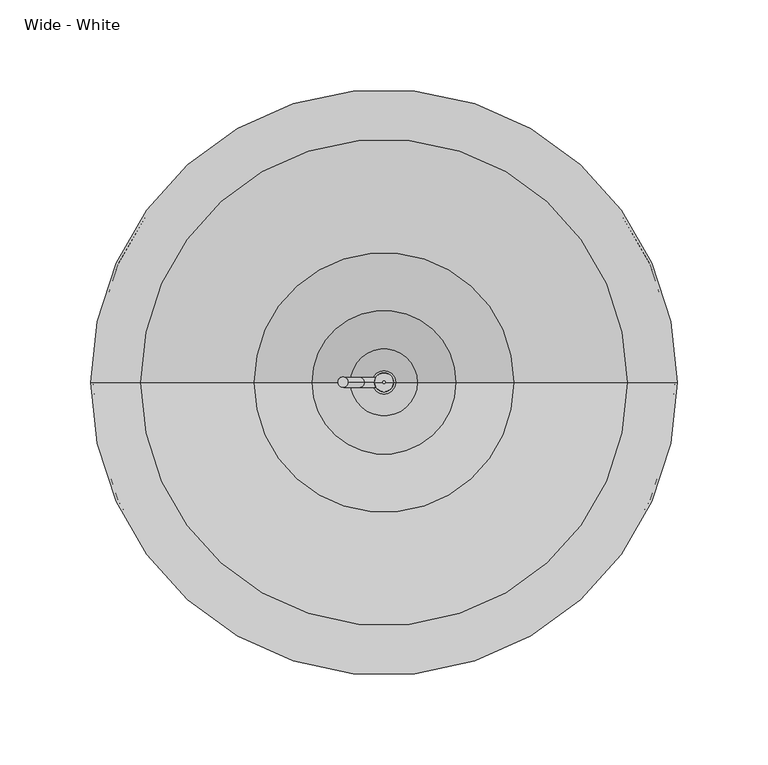
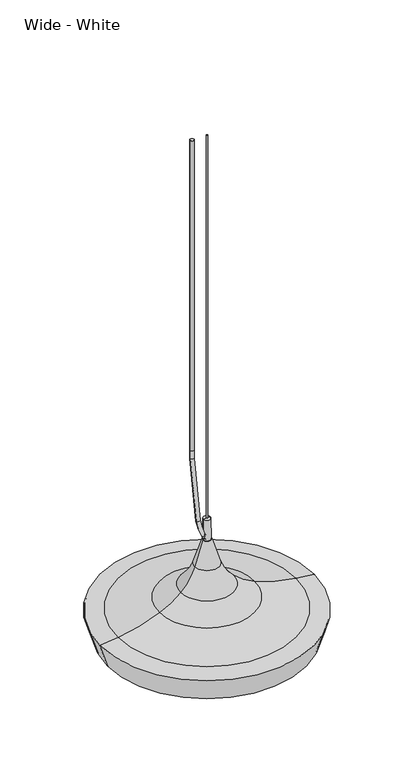
"""IFC4 building model written with IfcOpenShell, lengths in millimetres: furniture geometry, Wide - White."""

import ifcopenshell
import ifcopenshell.guid

model = None  # the IFC model being written
_history = None  # IfcOwnerHistory: only IFC2X3 demands one
_inside = {}  # id of a spatial element -> (the spatial element, [elements in it])
_under = {}  # id of a project, library or spatial element -> (it, [spatial elements below it])
_declared = {}  # id of a project -> (the project, [libraries it declares])
_typed = {}  # id of a type object -> (the type object, [elements of that type])
_made_of = {}  # id of a material, layer set ... -> (it, [elements and type objects made of it])


def new_model(schema):
    """Start an empty IFC model of exactly this schema.

    Asked for "IFC4X3", IfcOpenShell would pick the latest addendum, in which some entities
    have other attributes; the version numbers below select the first issue.
    IFC2X3 requires an IfcOwnerHistory on every rooted entity: one is made here for all.
    """
    global model, _history
    if schema == "IFC4X3":
        model = ifcopenshell.file(schema_version=(4, 3, 0, 0))
    else:
        model = ifcopenshell.file(schema=schema)
    _inside.clear()
    _under.clear()
    _declared.clear()
    _typed.clear()
    _made_of.clear()
    _history = None
    if model.schema == "IFC2X3":
        org = make("IfcOrganization", Name="unknown")
        user = make(
            "IfcPersonAndOrganization",
            ThePerson=make("IfcPerson", FamilyName="unknown"),
            TheOrganization=org,
        )
        app = make(
            "IfcApplication",
            ApplicationDeveloper=org,
            Version="unknown",
            ApplicationFullName="unknown",
            ApplicationIdentifier="unknown",
        )
        _history = make(
            "IfcOwnerHistory",
            OwningUser=user,
            OwningApplication=app,
            ChangeAction="ADDED",
            CreationDate=0,
        )
    return model


def make(cls, **values):
    """One entity of the class cls with the attributes given. An attribute that is None is left unset."""
    return model.create_entity(
        cls, **{name: value for name, value in values.items() if value is not None}
    )


def rooted(cls, **values):
    """An entity with a GlobalId (a new one), such as an element, a storey or a relation."""
    return make(cls, GlobalId=ifcopenshell.guid.new(), OwnerHistory=_history, **values)


def si_unit(unit_type, name, prefix=None):
    """IfcSIUnit, for example si_unit("LENGTHUNIT", "METRE", prefix="MILLI")."""
    return make("IfcSIUnit", UnitType=unit_type, Prefix=prefix, Name=name)


def assignment(units):
    """IfcUnitAssignment: the units of a project."""
    return None if units is None else make("IfcUnitAssignment", Units=units)


def point(xyz):
    """IfcCartesianPoint."""
    return None if xyz is None else make("IfcCartesianPoint", Coordinates=xyz)


def direction(xyz):
    """IfcDirection."""
    return None if xyz is None else make("IfcDirection", DirectionRatios=xyz)


def frame(location, z_axis=None, x_axis=None):
    """IfcAxis2Placement3D, a coordinate frame: its origin and axes. An axis left out is left unset."""
    return make(
        "IfcAxis2Placement3D",
        Location=point(location),
        Axis=direction(z_axis),
        RefDirection=direction(x_axis),
    )


def frame_2d(location, x_axis=None):
    """IfcAxis2Placement2D, a coordinate frame in the plane: its origin and x axis."""
    return make(
        "IfcAxis2Placement2D", Location=point(location), RefDirection=direction(x_axis)
    )


def origin():
    """The frame at (0, 0, 0) with its axes left unset."""
    return frame((0.0, 0.0, 0.0))


def origin_2d():
    """The frame at (0, 0) in the plane with its x axis left unset."""
    return frame_2d((0.0, 0.0))


def place(relative_to, where):
    """IfcLocalPlacement: puts the frame where relative to a parent placement (None: the world)."""
    return make(
        "IfcLocalPlacement", PlacementRelTo=relative_to, RelativePlacement=where
    )


def context(
    kind, dimensions, precision=None, world=None, true_north=None, identifier=None
):
    """IfcGeometricRepresentationContext, for example the 3D "Model" context."""
    return make(
        "IfcGeometricRepresentationContext",
        ContextIdentifier=identifier,
        ContextType=kind,
        CoordinateSpaceDimension=dimensions,
        Precision=precision,
        WorldCoordinateSystem=world,
        TrueNorth=true_north,
    )


def project(units=None, contexts=None):
    """IfcProject with its units and contexts."""
    return rooted(
        "IfcProject",
        Name="project",
        RepresentationContexts=contexts,
        UnitsInContext=assignment(units),
    )


def spatial(cls, under=None, at=None, **own):
    """A site, building, storey or space (cls), placed at a placement, below another one or the project."""
    s = rooted(cls, ObjectPlacement=at, **own)
    if under is not None:
        _under.setdefault(under.id(), (under, []))[1].append(s)
    return s


def polyline(points):
    """IfcPolyline through the points."""
    return make("IfcPolyline", Points=[point(p) for p in points])


def circle_curve(where, radius):
    """IfcCircle in the frame where."""
    return make("IfcCircle", Position=where, Radius=radius)


def ellipse_curve(where, semi_axis1, semi_axis2):
    """IfcEllipse in the frame where."""
    return make(
        "IfcEllipse", Position=where, SemiAxis1=semi_axis1, SemiAxis2=semi_axis2
    )


def trimmed(basis, trim1, trim2, sense, master):
    """IfcTrimmedCurve: the piece of a basis curve between two trims."""
    return make(
        "IfcTrimmedCurve",
        BasisCurve=basis,
        Trim1=trim1,
        Trim2=trim2,
        SenseAgreement=sense,
        MasterRepresentation=master,
    )


def segment(curve, same_sense, transition):
    """IfcCompositeCurveSegment."""
    return make(
        "IfcCompositeCurveSegment",
        Transition=transition,
        SameSense=same_sense,
        ParentCurve=curve,
    )


def composite_curve(segments, self_intersect=None):
    """IfcCompositeCurve: segments joined end to end."""
    return make("IfcCompositeCurve", Segments=segments, SelfIntersect=self_intersect)


def outline(outer, holes=None, kind="AREA"):
    """IfcArbitraryClosedProfileDef: a profile drawn as a closed curve; with holes, ...WithVoids."""
    if holes is None:
        return make("IfcArbitraryClosedProfileDef", ProfileType=kind, OuterCurve=outer)
    return make(
        "IfcArbitraryProfileDefWithVoids",
        ProfileType=kind,
        OuterCurve=outer,
        InnerCurves=holes,
    )


def extrude(swept, where, along, depth):
    """IfcExtrudedAreaSolid: the profile swept, set in the frame where, extruded along a direction by depth."""
    return make(
        "IfcExtrudedAreaSolid",
        SweptArea=swept,
        Position=where,
        ExtrudedDirection=direction(along),
        Depth=depth,
    )


def shape(context_of_items, identifier, shape_type, items):
    """IfcShapeRepresentation: the items that make up one representation, for example the "Body"."""
    return make(
        "IfcShapeRepresentation",
        ContextOfItems=context_of_items,
        RepresentationIdentifier=identifier,
        RepresentationType=shape_type,
        Items=items,
    )


def source(mapping_origin, context_of_items, identifier, shape_type, items):
    """IfcRepresentationMap: a shape defined once, which mapped items show again and again."""
    return make(
        "IfcRepresentationMap",
        MappingOrigin=mapping_origin,
        MappedRepresentation=shape(context_of_items, identifier, shape_type, items),
    )


def transform(
    local_origin,
    x_axis=None,
    y_axis=None,
    z_axis=None,
    scale=None,
    scale2=None,
    scale3=None,
    uniform=True,
):
    """IfcCartesianTransformationOperator3D, or its non-uniform kind. x_axis, y_axis, z_axis: its Axis1, 2, 3."""
    if uniform:
        return make(
            "IfcCartesianTransformationOperator3D",
            Axis1=direction(x_axis),
            Axis2=direction(y_axis),
            LocalOrigin=point(local_origin),
            Scale=scale,
            Axis3=direction(z_axis),
        )
    return make(
        "IfcCartesianTransformationOperator3DnonUniform",
        Axis1=direction(x_axis),
        Axis2=direction(y_axis),
        LocalOrigin=point(local_origin),
        Scale=scale,
        Axis3=direction(z_axis),
        Scale2=scale2,
        Scale3=scale3,
    )


def mapped(mapping_source, mapping_target):
    """IfcMappedItem: shows the shape of a source again, moved by a transform."""
    return make(
        "IfcMappedItem", MappingSource=mapping_source, MappingTarget=mapping_target
    )


def made_of(thing, what):
    """Note that an element or type object is made of a material, layer set ...; save() writes the relation."""
    if what is not None:
        _made_of.setdefault(what.id(), (what, []))[1].append(thing)
    return thing


def element(
    cls,
    number,
    at=None,
    inside=None,
    cuts=None,
    type_object=None,
    material=None,
    context=None,
    identifier="Body",
    shape_type=None,
    held_by="IfcProductDefinitionShape",
    body=None,
    shapes=None,
    **own,
):
    """One element of the class cls, such as IfcWall. Its Tag is "e" and its number.

    at: its placement. inside: the storey or other place that contains it. cuts: it is an
    opening in that element (IfcRelVoidsElement). A single representation is given by context,
    identifier, shape_type and body (its items); several are given by shapes. held_by: the class
    of the entity that holds the representations. save() writes the other relations.
    """
    e = rooted(cls, Tag="e%d" % number, ObjectPlacement=at, **own)
    if body is not None:
        shapes = [shape(context, identifier, shape_type, body)]
    if shapes is not None:
        e.Representation = make(held_by, Representations=shapes)
    if inside is not None:
        _inside.setdefault(inside.id(), (inside, []))[1].append(e)
    if cuts is not None:
        rooted(
            "IfcRelVoidsElement", RelatingBuildingElement=cuts, RelatedOpeningElement=e
        )
    if type_object is not None:
        _typed.setdefault(type_object.id(), (type_object, []))[1].append(e)
    return made_of(e, material)


def aggregate(whole, parts):
    """IfcRelAggregates: a whole, such as a stair, and the parts it consists of."""
    return rooted("IfcRelAggregates", RelatingObject=whole, RelatedObjects=parts)


def save(model, path):
    """Write the relations noted so far, then the file.

    IfcRelAggregates (storeys below a building ...), IfcRelContainedInSpatialStructure (elements
    in a storey), IfcRelDefinesByType, IfcRelAssociatesMaterial and IfcRelDeclares: one each for
    every whole, place, type object, material and project.
    """
    for whole, parts in _under.values():
        aggregate(whole, parts)
    for where, things in _inside.values():
        rooted(
            "IfcRelContainedInSpatialStructure",
            RelatedElements=things,
            RelatingStructure=where,
        )
    for kind, things in _typed.values():
        rooted("IfcRelDefinesByType", RelatedObjects=things, RelatingType=kind)
    for what, things in _made_of.values():
        rooted("IfcRelAssociatesMaterial", RelatedObjects=things, RelatingMaterial=what)
    for by, libraries in _declared.values():
        rooted("IfcRelDeclares", RelatingContext=by, RelatedDefinitions=libraries)
    model.write(path)


def plane_surface(at):
    """IfcPlane: the flat surface through the origin of the frame at, square to its z axis."""
    return make("IfcPlane", Position=at)


def cylinder_surface(at, radius):
    """IfcCylindricalSurface: all points at the distance radius from the z axis of the frame at."""
    return make("IfcCylindricalSurface", Position=at, Radius=radius)


def revolved_surface(curve, axis_point, axis_direction):
    """IfcSurfaceOfRevolution: the curve turned about the line through axis_point along axis_direction."""
    return make(
        "IfcSurfaceOfRevolution",
        SweptCurve=make("IfcArbitraryOpenProfileDef", ProfileType="CURVE", Curve=curve),
        AxisPosition=make("IfcAxis1Placement", Location=point(axis_point), Axis=direction(axis_direction)),
    )


def advanced_brep(points, edges, surfaces, faces):
    """IfcAdvancedBrep: a solid bounded by faces that lie on surfaces and meet in shared edges.

    An edge is (start, end): straight between two places in points (the first is 0);
    or (start, end, curve); or (start, end, curve, False) where it runs against its curve.
    A face is (place in surfaces, loops), or (place, loops, False) where it looks against
    its surface's normal. A loop lists edges by number (the first is 1), with a minus sign
    where the edge is run from its end to its start. The first loop is the outer one.
    """
    corners = [point(p) for p in points]
    vertices = [make("IfcVertexPoint", VertexGeometry=c) for c in corners]
    made = []
    for start, end, *more in edges:
        made.append(
            make(
                "IfcEdgeCurve",
                EdgeStart=vertices[start],
                EdgeEnd=vertices[end],
                EdgeGeometry=more[0] if more else make("IfcPolyline", Points=[corners[start], corners[end]]),
                SameSense=more[1] if len(more) > 1 else True,
            )
        )
    hull = []
    for where, loops, *sense in faces:
        bounds = []
        for j, loop in enumerate(loops):
            ring = [make("IfcOrientedEdge", EdgeElement=made[abs(k) - 1], Orientation=k > 0) for k in loop]
            bounds.append(
                make(
                    "IfcFaceOuterBound" if j == 0 else "IfcFaceBound",
                    Bound=make("IfcEdgeLoop", EdgeList=ring),
                    Orientation=True,
                )
            )
        hull.append(make("IfcAdvancedFace", Bounds=bounds, FaceSurface=surfaces[where], SameSense=sense[0] if sense else True))
    return make("IfcAdvancedBrep", Outer=make("IfcClosedShell", CfsFaces=hull))


def wide_white_3c27f85a(model_context):
    return source(origin(), model_context, "Body", "SolidModel", [
        advanced_brep(
        [(148.6819928, 0.0, 1493.4788548), (-148.6819928, 0.0, 1493.4788548), (-149.6513487, 0.0, 1493.1745438), (149.6513487, 0.0, 1493.1745438), (159.8781253, 0.0, 1529.1431485), (-159.8781253, 0.0, 1529.1431485), (133.6536966, 0.0, 1532.3646468), (-133.6536966, 0.0, 1532.3646468), (70.9980535, 0.0, 1550.0512448), (-70.9980535, 0.0, 1550.0512448), (38.7962036, 0.0, 1571.2015462), (-38.7962036, 0.0, 1571.2015462), (17.4060737, 0.0, 1605.0725587), (-17.4060737, 0.0, 1605.0725587), (15.7754313, 0.0, 1605.0725587), (-15.7754313, 0.0, 1605.0725587), (15.7754423, 0.0, 1546.9954535), (-15.7754423, 0.0, 1546.9954535), (14.8316313, 0.0, 1546.9954535), (-14.8316313, 0.0, 1546.9954535), (14.8316313, 0.0, 1549.1213093), (-14.8316313, 0.0, 1549.1213093), (12.010771, 0.0, 1549.1213093), (-12.010771, 0.0, 1549.1213093), (12.0107637, 0.0, 1561.7506783), (-12.0107637, 0.0, 1561.7506783), (-2.1e-05, 0.0, 1561.7506783), (5.2520871, 0.0, 1676.4), (-5.2520871, 0.0, 1676.4), (0.0, 0.0, 1676.4), (5.3236589, 0.0, 1643.771105), (-5.3236589, 0.0, 1643.771105), (6.3772094, 0.0, 1643.771105), (-6.3772094, 0.0, 1643.771105), (18.3542519, 0.0, 1605.4445291), (-18.3542519, 0.0, 1605.4445291), (39.4873063, 0.0, 1571.9462831), (-39.4873063, 0.0, 1571.9462831), (71.4069741, 0.0, 1550.98132), (-71.4069741, 0.0, 1550.98132), (133.7914701, 0.0, 1533.3712621), (-133.7914701, 0.0, 1533.3712621), (161.2183026, 0.0, 1530.0200563), (-161.2183026, 0.0, 1530.0200563)],
        [
            (0, 1, circle_curve(frame((0.0, 0.0, 1493.4788548), z_axis=(0.0, 0.0, 1.0), x_axis=(-1.0, 0.0, 0.0)), 148.6819928)),
            (1, 2),
            (2, 3, circle_curve(frame((0.0, 0.0, 1493.1745438), z_axis=(0.0, 0.0, -1.0), x_axis=(-1.0, 0.0, 0.0)), 149.6513487)),
            (3, 0),
            (1, 0, circle_curve(frame((0.0, 0.0, 1493.4788548), z_axis=(0.0, 0.0, 1.0), x_axis=(-1.0, 0.0, 0.0)), 148.6819928)),
            (3, 2, circle_curve(frame((0.0, 0.0, 1493.1745438), z_axis=(0.0, 0.0, -1.0), x_axis=(-1.0, 0.0, 0.0)), 149.6513487)),
            (4, 5, circle_curve(frame((0.0, 0.0, 1529.1431485), z_axis=(0.0, 0.0, 1.0), x_axis=(-1.0, 0.0, 0.0)), 159.8781253)),
            (5, 1),
            (0, 4),
            (5, 4, circle_curve(frame((0.0, 0.0, 1529.1431485), z_axis=(0.0, 0.0, 1.0), x_axis=(-1.0, 0.0, 0.0)), 159.8781253)),
            (6, 7, circle_curve(frame((0.0, 0.0, 1532.3646468), z_axis=(0.0, 0.0, 1.0), x_axis=(-1.0, 0.0, 0.0)), 133.6536966)),
            (7, 5, circle_curve(frame((-263.5478922, 0.0, 2481.4111587), z_axis=(0.0, 1.0, 0.0), x_axis=(1.0, 0.0, 0.0)), 957.8944534)),
            (4, 6, circle_curve(frame((263.5478922, 0.0, 2481.4111587), z_axis=(0.0, 1.0, 0.0), x_axis=(-1.0, 0.0, 0.0)), 957.8944534)),
            (7, 6, circle_curve(frame((0.0, 0.0, 1532.3646468), z_axis=(0.0, 0.0, 1.0), x_axis=(-1.0, 0.0, 0.0)), 133.6536966)),
            (8, 9, circle_curve(frame((0.0, 0.0, 1550.0512448), z_axis=(0.0, 0.0, 1.0), x_axis=(-1.0, 0.0, 0.0)), 70.9980535)),
            (9, 7, circle_curve(frame((-165.4898934, 0.0, 1764.9695867), z_axis=(0.0, 1.0, 0.0), x_axis=(1.0, 0.0, 0.0)), 234.7735111)),
            (6, 8, circle_curve(frame((165.4898934, 0.0, 1764.9695867), z_axis=(0.0, 1.0, 0.0), x_axis=(-1.0, 0.0, 0.0)), 234.7735111)),
            (9, 8, circle_curve(frame((0.0, 0.0, 1550.0512448), z_axis=(0.0, 0.0, 1.0), x_axis=(-1.0, 0.0, 0.0)), 70.9980535)),
            (10, 11, circle_curve(frame((0.0, 0.0, 1571.2015462), z_axis=(0.0, 0.0, 1.0), x_axis=(-1.0, 0.0, 0.0)), 38.7962036)),
            (11, 9, circle_curve(frame((-117.6629387, 0.0, 1656.1888728), z_axis=(0.0, 1.0, 0.0), x_axis=(1.0, 0.0, 0.0)), 115.9431222)),
            (8, 10, circle_curve(frame((117.6629387, 0.0, 1656.1888728), z_axis=(0.0, 1.0, 0.0), x_axis=(-1.0, 0.0, 0.0)), 115.9431222)),
            (11, 10, circle_curve(frame((0.0, 0.0, 1571.2015462), z_axis=(0.0, 0.0, 1.0), x_axis=(-1.0, 0.0, 0.0)), 38.7962036)),
            (12, 13, circle_curve(frame((0.0, 0.0, 1605.0725587), z_axis=(0.0, 0.0, 1.0), x_axis=(-1.0, 0.0, 0.0)), 17.4060737)),
            (13, 11, circle_curve(frame((-91.901301, 0.0, 1628.4279579), z_axis=(0.0, 1.0, 0.0), x_axis=(1.0, 0.0, 0.0)), 78.0705679)),
            (10, 12, circle_curve(frame((91.901301, 0.0, 1628.4279579), z_axis=(0.0, 1.0, 0.0), x_axis=(-1.0, 0.0, 0.0)), 78.0705679)),
            (13, 12, circle_curve(frame((0.0, 0.0, 1605.0725587), z_axis=(0.0, 0.0, 1.0), x_axis=(-1.0, 0.0, 0.0)), 17.4060737)),
            (14, 15, circle_curve(frame((0.0, 0.0, 1605.0725587), z_axis=(0.0, 0.0, 1.0), x_axis=(-1.0, 0.0, 0.0)), 15.7754313)),
            (15, 13),
            (12, 14),
            (15, 14, circle_curve(frame((0.0, 0.0, 1605.0725587), z_axis=(0.0, 0.0, 1.0), x_axis=(-1.0, 0.0, 0.0)), 15.7754313)),
            (16, 17, circle_curve(frame((0.0, 0.0, 1546.9954535), z_axis=(0.0, 0.0, 1.0), x_axis=(-1.0, 0.0, 0.0)), 15.7754423)),
            (17, 15),
            (14, 16),
            (17, 16, circle_curve(frame((0.0, 0.0, 1546.9954535), z_axis=(0.0, 0.0, 1.0), x_axis=(-1.0, 0.0, 0.0)), 15.7754423)),
            (18, 19, circle_curve(frame((0.0, 0.0, 1546.9954535), z_axis=(0.0, 0.0, 1.0), x_axis=(-1.0, 0.0, 0.0)), 14.8316313)),
            (19, 17),
            (16, 18),
            (19, 18, circle_curve(frame((0.0, 0.0, 1546.9954535), z_axis=(0.0, 0.0, 1.0), x_axis=(-1.0, 0.0, 0.0)), 14.8316313)),
            (20, 21, circle_curve(frame((0.0, 0.0, 1549.1213093), z_axis=(0.0, 0.0, 1.0), x_axis=(-1.0, 0.0, 0.0)), 14.8316313)),
            (21, 19),
            (18, 20),
            (21, 20, circle_curve(frame((0.0, 0.0, 1549.1213093), z_axis=(0.0, 0.0, 1.0), x_axis=(-1.0, 0.0, 0.0)), 14.8316313)),
            (22, 23, circle_curve(frame((0.0, 0.0, 1549.1213093), z_axis=(0.0, 0.0, 1.0), x_axis=(-1.0, 0.0, 0.0)), 12.010771)),
            (23, 21),
            (20, 22),
            (23, 22, circle_curve(frame((0.0, 0.0, 1549.1213093), z_axis=(0.0, 0.0, 1.0), x_axis=(-1.0, 0.0, 0.0)), 12.010771)),
            (24, 25, circle_curve(frame((0.0, 0.0, 1561.7506783), z_axis=(0.0, 0.0, 1.0), x_axis=(-1.0, 0.0, 0.0)), 12.0107637)),
            (25, 23),
            (22, 24),
            (25, 24, circle_curve(frame((0.0, 0.0, 1561.7506783), z_axis=(0.0, 0.0, 1.0), x_axis=(-1.0, 0.0, 0.0)), 12.0107637)),
            (26, 25),
            (24, 26),
            (27, 28, circle_curve(frame((0.0, 0.0, 1676.4), z_axis=(0.0, 0.0, 1.0), x_axis=(-1.0, 0.0, 0.0)), 5.2520871)),
            (28, 29),
            (29, 27),
            (28, 27, circle_curve(frame((0.0, 0.0, 1676.4), z_axis=(0.0, 0.0, 1.0), x_axis=(-1.0, 0.0, 0.0)), 5.2520871)),
            (30, 31, circle_curve(frame((0.0, 0.0, 1643.771105), z_axis=(0.0, 0.0, 1.0), x_axis=(-1.0, 0.0, 0.0)), 5.3236589)),
            (31, 28),
            (27, 30),
            (31, 30, circle_curve(frame((0.0, 0.0, 1643.771105), z_axis=(0.0, 0.0, 1.0), x_axis=(-1.0, 0.0, 0.0)), 5.3236589)),
            (32, 33, circle_curve(frame((0.0, 0.0, 1643.771105), z_axis=(0.0, 0.0, 1.0), x_axis=(-1.0, 0.0, 0.0)), 6.3772094)),
            (33, 31),
            (30, 32),
            (33, 32, circle_curve(frame((0.0, 0.0, 1643.771105), z_axis=(0.0, 0.0, 1.0), x_axis=(-1.0, 0.0, 0.0)), 6.3772094)),
            (34, 35, circle_curve(frame((0.0, 0.0, 1605.4445291), z_axis=(0.0, 0.0, 1.0), x_axis=(-1.0, 0.0, 0.0)), 18.3542519)),
            (35, 33),
            (32, 34),
            (35, 34, circle_curve(frame((0.0, 0.0, 1605.4445291), z_axis=(0.0, 0.0, 1.0), x_axis=(-1.0, 0.0, 0.0)), 18.3542519)),
            (36, 37, circle_curve(frame((0.0, 0.0, 1571.9462831), z_axis=(0.0, 0.0, 1.0), x_axis=(-1.0, 0.0, 0.0)), 39.4873063)),
            (37, 35, circle_curve(frame((-91.901301, 0.0, 1628.4279579), z_axis=(0.0, -1.0, 0.0), x_axis=(1.0, 0.0, 0.0)), 77.0545679)),
            (34, 36, circle_curve(frame((91.901301, 0.0, 1628.4279579), z_axis=(0.0, -1.0, 0.0), x_axis=(-1.0, 0.0, 0.0)), 77.0545679)),
            (37, 36, circle_curve(frame((0.0, 0.0, 1571.9462831), z_axis=(0.0, 0.0, 1.0), x_axis=(-1.0, 0.0, 0.0)), 39.4873063)),
            (38, 39, circle_curve(frame((0.0, 0.0, 1550.98132), z_axis=(0.0, 0.0, 1.0), x_axis=(-1.0, 0.0, 0.0)), 71.4069741)),
            (39, 37, circle_curve(frame((-117.6629387, 0.0, 1656.1888728), z_axis=(0.0, -1.0, 0.0), x_axis=(1.0, 0.0, 0.0)), 114.9271222)),
            (36, 38, circle_curve(frame((117.6629387, 0.0, 1656.1888728), z_axis=(0.0, -1.0, 0.0), x_axis=(-1.0, 0.0, 0.0)), 114.9271222)),
            (39, 38, circle_curve(frame((0.0, 0.0, 1550.98132), z_axis=(0.0, 0.0, 1.0), x_axis=(-1.0, 0.0, 0.0)), 71.4069741)),
            (40, 41, circle_curve(frame((0.0, 0.0, 1533.3712621), z_axis=(0.0, 0.0, 1.0), x_axis=(-1.0, 0.0, 0.0)), 133.7914701)),
            (41, 39, circle_curve(frame((-165.4898934, 0.0, 1764.9695867), z_axis=(0.0, -1.0, 0.0), x_axis=(1.0, 0.0, 0.0)), 233.7575111)),
            (38, 40, circle_curve(frame((165.4898934, 0.0, 1764.9695867), z_axis=(0.0, -1.0, 0.0), x_axis=(-1.0, 0.0, 0.0)), 233.7575111)),
            (41, 40, circle_curve(frame((0.0, 0.0, 1533.3712621), z_axis=(0.0, 0.0, 1.0), x_axis=(-1.0, 0.0, 0.0)), 133.7914701)),
            (42, 43, circle_curve(frame((0.0, 0.0, 1530.0200563), z_axis=(0.0, 0.0, 1.0), x_axis=(-1.0, 0.0, 0.0)), 161.2183026)),
            (43, 41, circle_curve(frame((-263.5478922, 0.0, 2481.4111587), z_axis=(0.0, -1.0, 0.0), x_axis=(1.0, 0.0, 0.0)), 956.8784534)),
            (40, 42, circle_curve(frame((263.5478922, 0.0, 2481.4111587), z_axis=(0.0, -1.0, 0.0), x_axis=(-1.0, 0.0, 0.0)), 956.8784534)),
            (43, 42, circle_curve(frame((0.0, 0.0, 1530.0200563), z_axis=(0.0, 0.0, 1.0), x_axis=(-1.0, 0.0, 0.0)), 161.2183026)),
            (2, 43),
            (42, 3),
        ],
        [
            revolved_surface(polyline([(-149.6513487, 0.0, 1493.1745438), (-148.6819928, 0.0, 1493.4788548)]), (0.0, 0.0, 1470.7954497), (0.0, 0.0, -1.0)),
            revolved_surface(polyline([(-148.6819928, 0.0, 1493.4788548), (-159.8781253, 0.0, 1529.1431485)]), (0.0, 0.0, 1470.7954497), (0.0, 0.0, -1.0)),
            revolved_surface(trimmed(ellipse_curve(frame((-263.5478922, 0.0, 2481.4111587), z_axis=(0.0, -1.0, 0.0), x_axis=(1.0, 0.0, 0.0)), 957.8944534, 957.8944534), [point((-159.8781253, 0.0, 1529.1431485))], [point((-133.6536966, 0.0, 1532.3646468))], True, "CARTESIAN"), (0.0, 0.0, 1470.7954497), (0.0, 0.0, -1.0)),
            revolved_surface(trimmed(ellipse_curve(frame((-165.4898934, 0.0, 1764.9695867), z_axis=(0.0, -1.0, 0.0), x_axis=(1.0, 0.0, 0.0)), 234.7735111, 234.7735111), [point((-133.6536966, 0.0, 1532.3646468))], [point((-70.9980535, 0.0, 1550.0512448))], True, "CARTESIAN"), (0.0, 0.0, 1470.7954497), (0.0, 0.0, -1.0)),
            revolved_surface(trimmed(ellipse_curve(frame((-117.6629387, 0.0, 1656.1888728), z_axis=(0.0, -1.0, 0.0), x_axis=(1.0, 0.0, 0.0)), 115.9431222, 115.9431222), [point((-70.9980535, 0.0, 1550.0512448))], [point((-38.7962036, 0.0, 1571.2015462))], True, "CARTESIAN"), (0.0, 0.0, 1470.7954497), (0.0, 0.0, -1.0)),
            revolved_surface(trimmed(ellipse_curve(frame((-91.901301, 0.0, 1628.4279579), z_axis=(0.0, -1.0, 0.0), x_axis=(1.0, 0.0, 0.0)), 78.0705679, 78.0705679), [point((-38.7962036, 0.0, 1571.2015462))], [point((-17.4060737, 0.0, 1605.0725587))], True, "CARTESIAN"), (0.0, 0.0, 1470.7954497), (0.0, 0.0, -1.0)),
            plane_surface(frame((0.0, 0.0, 1605.0725587), z_axis=(0.0, 0.0, -1.0), x_axis=(-1.0, 0.0, 0.0))),
            cylinder_surface(frame((0.0, 0.0, 1470.7954497), z_axis=(0.0, 0.0, -1.0), x_axis=(-1.0, 0.0, 0.0)), 15.7754423),
            plane_surface(frame((0.0, 0.0, 1546.9954535), z_axis=(0.0, 0.0, -1.0), x_axis=(-1.0, 0.0, 0.0))),
            revolved_surface(polyline([(-14.8316313, 0.0, 1546.9954535), (-14.8316313, 0.0, 1549.1213093)]), (0.0, 0.0, 1470.7954497), (0.0, 0.0, -1.0)),
            plane_surface(frame((0.0, 0.0, 1549.1213093), z_axis=(0.0, 0.0, -1.0), x_axis=(-1.0, 0.0, 0.0))),
            revolved_surface(polyline([(-12.0107637, 0.0, 1549.1213093), (-12.0107637, 0.0, 1561.7506783)]), (0.0, 0.0, 1470.7954497), (0.0, 0.0, -1.0)),
            plane_surface(frame((0.0, 0.0, 1561.7506783), z_axis=(0.0, 0.0, -1.0), x_axis=(-1.0, 0.0, 0.0))),
            plane_surface(frame((0.0, 0.0, 1676.4), z_axis=(0.0, 0.0, 1.0), x_axis=(-1.0, 0.0, 0.0))),
            revolved_surface(polyline([(-5.2520871, 0.0, 1676.4), (-5.3236589, 0.0, 1643.771105)]), (0.0, 0.0, 1470.7954497), (0.0, 0.0, -1.0)),
            plane_surface(frame((0.0, 0.0, 1643.771105), z_axis=(0.0, 0.0, 1.0), x_axis=(-1.0, 0.0, 0.0))),
            revolved_surface(polyline([(-6.3772094, 0.0, 1643.771105), (-18.3542519, 0.0, 1605.4445291)]), (0.0, 0.0, 1470.7954497), (0.0, 0.0, -1.0)),
            revolved_surface(trimmed(ellipse_curve(frame((-91.901301, 0.0, 1628.4279579), z_axis=(0.0, 1.0, 0.0), x_axis=(1.0, 0.0, 0.0)), 77.0545679, 77.0545679), [point((-18.3542519, 0.0, 1605.4445291))], [point((-39.4873063, 0.0, 1571.9462831))], True, "CARTESIAN"), (0.0, 0.0, 1470.7954497), (0.0, 0.0, -1.0)),
            revolved_surface(trimmed(ellipse_curve(frame((-117.6629387, 0.0, 1656.1888728), z_axis=(0.0, 1.0, 0.0), x_axis=(1.0, 0.0, 0.0)), 114.9271222, 114.9271222), [point((-39.4873063, 0.0, 1571.9462831))], [point((-71.4069741, 0.0, 1550.98132))], True, "CARTESIAN"), (0.0, 0.0, 1470.7954497), (0.0, 0.0, -1.0)),
            revolved_surface(trimmed(ellipse_curve(frame((-165.4898934, 0.0, 1764.9695867), z_axis=(0.0, 1.0, 0.0), x_axis=(1.0, 0.0, 0.0)), 233.7575111, 233.7575111), [point((-71.4069741, 0.0, 1550.98132))], [point((-133.7914701, 0.0, 1533.3712621))], True, "CARTESIAN"), (0.0, 0.0, 1470.7954497), (0.0, 0.0, -1.0)),
            revolved_surface(trimmed(ellipse_curve(frame((-263.5478922, 0.0, 2481.4111587), z_axis=(0.0, 1.0, 0.0), x_axis=(1.0, 0.0, 0.0)), 956.8784534, 956.8784534), [point((-133.7914701, 0.0, 1533.3712621))], [point((-161.2183026, 0.0, 1530.0200563))], True, "CARTESIAN"), (0.0, 0.0, 1470.7954497), (0.0, 0.0, -1.0)),
            revolved_surface(polyline([(-161.2183026, 0.0, 1530.0200563), (-149.6513487, 0.0, 1493.1745438)]), (0.0, 0.0, 1470.7954497), (0.0, 0.0, -1.0)),
        ],
        [
            (0, [[1, 2, 3, 4]]),
            (0, [[5, -4, 6, -2]]),
            (1, [[7, 8, -1, 9]]),
            (1, [[10, -9, -5, -8]]),
            (2, [[11, 12, -7, 13]]),
            (2, [[14, -13, -10, -12]]),
            (3, [[15, 16, -11, 17]]),
            (3, [[18, -17, -14, -16]]),
            (4, [[19, 20, -15, 21]]),
            (4, [[22, -21, -18, -20]]),
            (5, [[23, 24, -19, 25]]),
            (5, [[26, -25, -22, -24]]),
            (6, [[27, 28, -23, 29]]),
            (6, [[30, -29, -26, -28]]),
            (7, [[31, 32, -27, 33]]),
            (7, [[34, -33, -30, -32]]),
            (8, [[35, 36, -31, 37]]),
            (8, [[38, -37, -34, -36]]),
            (9, [[39, 40, -35, 41]]),
            (9, [[42, -41, -38, -40]]),
            (10, [[43, 44, -39, 45]]),
            (10, [[46, -45, -42, -44]]),
            (11, [[47, 48, -43, 49]]),
            (11, [[50, -49, -46, -48]]),
            (12, [[51, -47, 52]]),
            (12, [[-52, -50, -51]]),
            (13, [[53, 54, 55]]),
            (13, [[56, -55, -54]]),
            (14, [[57, 58, -53, 59]]),
            (14, [[60, -59, -56, -58]]),
            (15, [[61, 62, -57, 63]]),
            (15, [[64, -63, -60, -62]]),
            (16, [[65, 66, -61, 67]]),
            (16, [[68, -67, -64, -66]]),
            (17, [[69, 70, -65, 71]]),
            (17, [[72, -71, -68, -70]]),
            (18, [[73, 74, -69, 75]]),
            (18, [[76, -75, -72, -74]]),
            (19, [[77, 78, -73, 79]]),
            (19, [[80, -79, -76, -78]]),
            (20, [[81, 82, -77, 83]]),
            (20, [[84, -83, -80, -82]]),
            (21, [[-3, 85, -81, 86]]),
            (21, [[-6, -86, -84, -85]]),
        ],
    ),
        advanced_brep(
        [(0.6021357, 0.0, 1648.2557331), (-2.3682407, 0.0, 1643.5225938), (-2.7501211, 0.0, 1652.0709622), (-7.8260673, 0.0, 1649.7341878), (-10.6957994, 0.0, 1677.3833208), (-16.1966016, 0.0, 1676.4), (-19.741253, 0.0, 1779.3879205), (-25.329253, 0.0, 1779.3879205), (-19.741253, 0.0, 1792.0879204), (-25.329253, 0.0, 1792.0879204), (-25.329253, 0.0, 2286.0), (-19.741253, 0.0, 2286.0)],
        [
            (0, 1, circle_curve(frame((-0.8830525, 0.0, 1645.8891635), z_axis=(0.8470184882891747, 0.0, -0.5315634303602169), x_axis=(-0.5315634303602169, 0.0, -0.8470184882891747)), 2.794)),
            (1, 0, circle_curve(frame((-0.8830525, 0.0, 1645.8891635), z_axis=(0.8470184882891747, 0.0, -0.5315634303602169), x_axis=(-0.5315634303602169, 0.0, -0.8470184882891747)), 2.794)),
            (0, 2, circle_curve(frame((5.3312429, 0.0, 1655.7913177), z_axis=(0.0, 1.0, 0.0), x_axis=(-0.5315634303602169, 0.0, -0.8470184882891747)), 8.8965998)),
            (2, 3, circle_curve(frame((-5.2880942, 0.0, 1650.902575), z_axis=(0.41817723360666303, 0.0, -0.9083654558012861), x_axis=(-0.9083654558012861, 0.0, -0.41817723360666303)), 2.794)),
            (3, 1, circle_curve(frame((5.3312429, 0.0, 1655.7913177), z_axis=(0.0, -1.0, 0.0), x_axis=(-0.5315634303602169, 0.0, -0.8470184882891747)), 14.4845998)),
            (3, 2, circle_curve(frame((-5.2880942, 0.0, 1650.902575), z_axis=(0.41817723360663467, 0.0, -0.9083654558012992), x_axis=(-0.9083654558012992, 0.0, -0.41817723360663467)), 2.794)),
            (2, 4, circle_curve(frame((92.180486, 0.0, 1695.7734372), z_axis=(0.0, 1.0, 0.0), x_axis=(-0.9083654558013188, 0.0, -0.4181772336065921)), 104.5070643)),
            (4, 5, circle_curve(frame((-13.4462005, 0.0, 1676.8916604), z_axis=(0.1759700794087641, 0.0, -0.984395515609896), x_axis=(-0.984395515609896, 0.0, -0.1759700794087641)), 2.794)),
            (5, 3, circle_curve(frame((92.180486, 0.0, 1695.7734372), z_axis=(0.0, -1.0, 0.0), x_axis=(-0.9083654558013188, 0.0, -0.4181772336065921)), 110.0950643)),
            (5, 4, circle_curve(frame((-13.4462005, 0.0, 1676.8916604), z_axis=(0.17597007940876203, 0.0, -0.9843955156098965), x_axis=(-0.9843955156098965, 0.0, -0.17597007940876203)), 2.794)),
            (4, 6, circle_curve(frame((559.9288818, 0.0, 1779.3879205), z_axis=(0.0, 1.0, 0.0), x_axis=(-0.9843955156099008, 0.0, -0.1759700794087381)), 579.6701348)),
            (6, 7, circle_curve(frame((-22.535253, 0.0, 1779.3879205), z_axis=(0.0, 0.0, -1.0), x_axis=(-1.0, 0.0, 0.0)), 2.794)),
            (7, 5, circle_curve(frame((559.9288818, 0.0, 1779.3879205), z_axis=(0.0, -1.0, 0.0), x_axis=(-0.9843955156099008, 0.0, -0.1759700794087381)), 585.2581348)),
            (7, 6, circle_curve(frame((-22.535253, 0.0, 1779.3879205), z_axis=(0.0, 0.0, -0.9999999999999999), x_axis=(-0.9999999999999999, 0.0, 0.0)), 2.794)),
            (6, 8),
            (8, 9, circle_curve(frame((-22.535253, 0.0, 1792.0879204), z_axis=(0.0, 0.0, -1.0), x_axis=(-1.0, 0.0, 0.0)), 2.794)),
            (9, 7),
            (9, 8, circle_curve(frame((-22.535253, 0.0, 1792.0879204), z_axis=(0.0, 0.0, -1.0), x_axis=(-1.0, 0.0, 0.0)), 2.794)),
            (10, 11, circle_curve(frame((-22.535253, 0.0, 2286.0), z_axis=(0.0, 0.0, 1.0), x_axis=(1.0, 0.0, 0.0)), 2.794)),
            (11, 10, circle_curve(frame((-22.535253, 0.0, 2286.0), z_axis=(0.0, 0.0, 1.0), x_axis=(1.0, 0.0, 0.0)), 2.794)),
            (10, 9),
            (8, 11),
        ],
        [
            plane_surface(frame((-2.3682407, 0.0, 1643.5225938), z_axis=(0.8470184882891748, 0.0, -0.5315634303602169), x_axis=(0.0, -1.0, 0.0))),
            revolved_surface(trimmed(ellipse_curve(frame((-0.8830525, 0.0, 1645.8891635), z_axis=(0.8470184882891747, 0.0, -0.5315634303602169), x_axis=(-0.5315634303602169, 0.0, -0.8470184882891747)), 2.794, 2.794), [point((0.6021357, 0.0, 1648.2557331))], [point((-2.3682407, 0.0, 1643.5225938))], True, "CARTESIAN"), (5.3312429, 0.0, 1655.7913177), (0.0, 1.0, 0.0)),
            revolved_surface(trimmed(ellipse_curve(frame((-0.8830525, 0.0, 1645.8891635), z_axis=(0.8470184882891747, 0.0, -0.5315634303602169), x_axis=(-0.5315634303602169, 0.0, -0.8470184882891747)), 2.794, 2.794), [point((-2.3682407, 0.0, 1643.5225938))], [point((0.6021357, 0.0, 1648.2557331))], True, "CARTESIAN"), (5.3312429, 0.0, 1655.7913177), (0.0, 1.0, 0.0)),
            revolved_surface(trimmed(ellipse_curve(frame((-5.2880942, 0.0, 1650.902575), z_axis=(0.4181772336065922, 0.0, -0.9083654558013188), x_axis=(-0.9083654558013188, 0.0, -0.4181772336065922)), 2.794, 2.794), [point((-2.7501211, 0.0, 1652.0709622))], [point((-7.8260673, 0.0, 1649.7341878))], True, "CARTESIAN"), (92.180486, 0.0, 1695.7734372), (0.0, 1.0, 0.0)),
            revolved_surface(trimmed(ellipse_curve(frame((-5.2880942, 0.0, 1650.902575), z_axis=(0.4181772336065922, 0.0, -0.9083654558013188), x_axis=(-0.9083654558013188, 0.0, -0.4181772336065922)), 2.794, 2.794), [point((-7.8260673, 0.0, 1649.7341878))], [point((-2.7501211, 0.0, 1652.0709622))], True, "CARTESIAN"), (92.180486, 0.0, 1695.7734372), (0.0, 1.0, 0.0)),
            revolved_surface(trimmed(ellipse_curve(frame((-13.4462005, 0.0, 1676.8916604), z_axis=(0.17597007940873818, 0.0, -0.9843955156099008), x_axis=(-0.9843955156099008, 0.0, -0.17597007940873818)), 2.794, 2.794), [point((-10.6957994, 0.0, 1677.3833208))], [point((-16.1966016, 0.0, 1676.4))], True, "CARTESIAN"), (559.9288818, 0.0, 1779.3879205), (0.0, 1.0, 0.0)),
            revolved_surface(trimmed(ellipse_curve(frame((-13.4462005, 0.0, 1676.8916604), z_axis=(0.17597007940873818, 0.0, -0.9843955156099008), x_axis=(-0.9843955156099008, 0.0, -0.17597007940873818)), 2.794, 2.794), [point((-16.1966016, 0.0, 1676.4))], [point((-10.6957994, 0.0, 1677.3833208))], True, "CARTESIAN"), (559.9288818, 0.0, 1779.3879205), (0.0, 1.0, 0.0)),
            cylinder_surface(frame((-22.535253, 0.0, 1779.3879205), z_axis=(0.0, 0.0, -1.0), x_axis=(-1.0, 0.0, 0.0)), 2.794),
            plane_surface(frame((-19.741253, 0.0, 2286.0), z_axis=(0.0, 0.0, 1.0), x_axis=(0.0, 1.0, 0.0))),
            cylinder_surface(frame((-22.535253, 0.0, 1792.0879204), z_axis=(0.0, 0.0, 1.0), x_axis=(1.0, 0.0, 0.0)), 2.794),
        ],
        [
            (0, [[1, 2]]),
            (1, [[-1, 3, 4, 5]]),
            (2, [[-2, -5, 6, -3]]),
            (3, [[-4, 7, 8, 9]]),
            (4, [[-6, -9, 10, -7]]),
            (5, [[-8, 11, 12, 13]]),
            (6, [[-10, -13, 14, -11]]),
            (7, [[-12, 15, 16, 17]]),
            (7, [[-14, -17, 18, -15]]),
            (8, [[19, 20]]),
            (9, [[-19, 21, -16, 22]]),
            (9, [[-20, -22, -18, -21]]),
        ],
    ),
        extrude(outline(composite_curve([segment(trimmed(circle_curve(origin_2d(), 0.762), [point((-0.762, 0.0))], [point((0.762, 0.0))], False, "CARTESIAN"), True, "CONTINUOUS"), segment(trimmed(circle_curve(origin_2d(), 0.762), [point((0.762, 0.0))], [point((-0.762, 0.0))], False, "CARTESIAN"), True, "CONTINUOUS")], self_intersect=False)), frame((0.0, 0.0, 1676.4), z_axis=(0.0, 0.0, 1.0), x_axis=(1.0, 0.0, 0.0)), (0.0, 0.0, 1.0), 609.6),
    ])


if __name__ == "__main__":
    model = new_model("IFC4")
    model_context = context("Model", 3, world=origin())
    ifc_project = project(units=[si_unit("LENGTHUNIT", "METRE", prefix="MILLI")], contexts=[model_context])
    site = spatial("IfcSite", under=ifc_project)
    building = spatial("IfcBuilding", under=site)
    placement = place(None, origin())
    wide_white_shape = wide_white_3c27f85a(model_context)
    element("IfcFurniture", 1, ObjectType="Wide - White", at=placement, inside=building, context=model_context, shape_type="MappedRepresentation", body=[
        mapped(wide_white_shape, transform((0.0, 0.0, 0.0), x_axis=(1.0, 0.0, 0.0), y_axis=(0.0, 1.0, 0.0), z_axis=(0.0, 0.0, 1.0))),
    ])
    save(model, "model.ifc")
